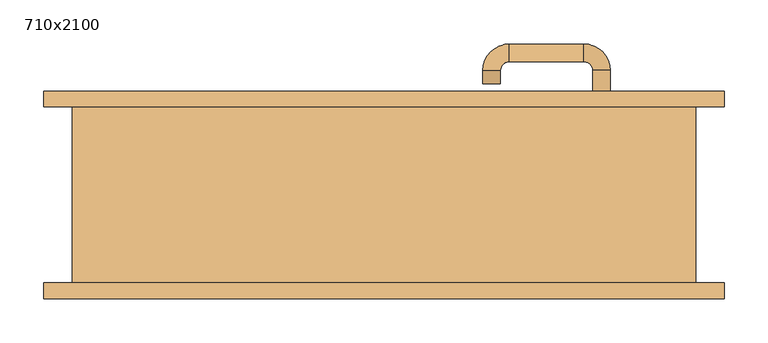
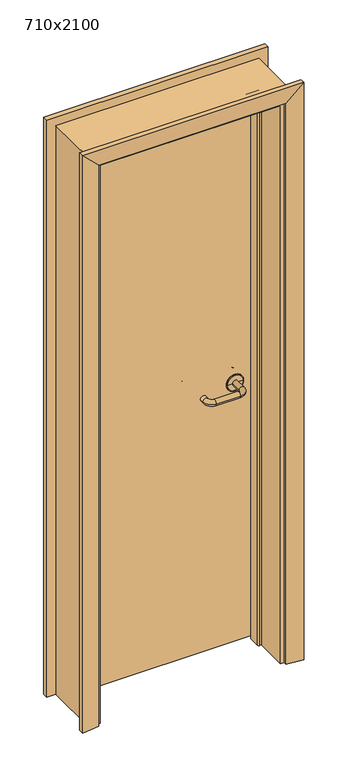
"""IFC4 building model written with IfcOpenShell, lengths in millimetres: door geometry, 710x2100."""

import ifcopenshell
import ifcopenshell.guid

model = None  # the IFC model being written
_history = None  # IfcOwnerHistory: only IFC2X3 demands one
_inside = {}  # id of a spatial element -> (the spatial element, [elements in it])
_under = {}  # id of a project, library or spatial element -> (it, [spatial elements below it])
_declared = {}  # id of a project -> (the project, [libraries it declares])
_typed = {}  # id of a type object -> (the type object, [elements of that type])
_made_of = {}  # id of a material, layer set ... -> (it, [elements and type objects made of it])


def new_model(schema):
    """Start an empty IFC model of exactly this schema.

    Asked for "IFC4X3", IfcOpenShell would pick the latest addendum, in which some entities
    have other attributes; the version numbers below select the first issue.
    IFC2X3 requires an IfcOwnerHistory on every rooted entity: one is made here for all.
    """
    global model, _history
    if schema == "IFC4X3":
        model = ifcopenshell.file(schema_version=(4, 3, 0, 0))
    else:
        model = ifcopenshell.file(schema=schema)
    _inside.clear()
    _under.clear()
    _declared.clear()
    _typed.clear()
    _made_of.clear()
    _history = None
    if model.schema == "IFC2X3":
        org = make("IfcOrganization", Name="unknown")
        user = make(
            "IfcPersonAndOrganization",
            ThePerson=make("IfcPerson", FamilyName="unknown"),
            TheOrganization=org,
        )
        app = make(
            "IfcApplication",
            ApplicationDeveloper=org,
            Version="unknown",
            ApplicationFullName="unknown",
            ApplicationIdentifier="unknown",
        )
        _history = make(
            "IfcOwnerHistory",
            OwningUser=user,
            OwningApplication=app,
            ChangeAction="ADDED",
            CreationDate=0,
        )
    return model


def make(cls, **values):
    """One entity of the class cls with the attributes given. An attribute that is None is left unset."""
    return model.create_entity(
        cls, **{name: value for name, value in values.items() if value is not None}
    )


def rooted(cls, **values):
    """An entity with a GlobalId (a new one), such as an element, a storey or a relation."""
    return make(cls, GlobalId=ifcopenshell.guid.new(), OwnerHistory=_history, **values)


def si_unit(unit_type, name, prefix=None):
    """IfcSIUnit, for example si_unit("LENGTHUNIT", "METRE", prefix="MILLI")."""
    return make("IfcSIUnit", UnitType=unit_type, Prefix=prefix, Name=name)


def assignment(units):
    """IfcUnitAssignment: the units of a project."""
    return None if units is None else make("IfcUnitAssignment", Units=units)


def point(xyz):
    """IfcCartesianPoint."""
    return None if xyz is None else make("IfcCartesianPoint", Coordinates=xyz)


def direction(xyz):
    """IfcDirection."""
    return None if xyz is None else make("IfcDirection", DirectionRatios=xyz)


def frame(location, z_axis=None, x_axis=None):
    """IfcAxis2Placement3D, a coordinate frame: its origin and axes. An axis left out is left unset."""
    return make(
        "IfcAxis2Placement3D",
        Location=point(location),
        Axis=direction(z_axis),
        RefDirection=direction(x_axis),
    )


def origin():
    """The frame at (0, 0, 0) with its axes left unset."""
    return frame((0.0, 0.0, 0.0))


def place(relative_to, where):
    """IfcLocalPlacement: puts the frame where relative to a parent placement (None: the world)."""
    return make(
        "IfcLocalPlacement", PlacementRelTo=relative_to, RelativePlacement=where
    )


def context(
    kind, dimensions, precision=None, world=None, true_north=None, identifier=None
):
    """IfcGeometricRepresentationContext, for example the 3D "Model" context."""
    return make(
        "IfcGeometricRepresentationContext",
        ContextIdentifier=identifier,
        ContextType=kind,
        CoordinateSpaceDimension=dimensions,
        Precision=precision,
        WorldCoordinateSystem=world,
        TrueNorth=true_north,
    )


def project(units=None, contexts=None):
    """IfcProject with its units and contexts."""
    return rooted(
        "IfcProject",
        Name="project",
        RepresentationContexts=contexts,
        UnitsInContext=assignment(units),
    )


def spatial(cls, under=None, at=None, **own):
    """A site, building, storey or space (cls), placed at a placement, below another one or the project."""
    s = rooted(cls, ObjectPlacement=at, **own)
    if under is not None:
        _under.setdefault(under.id(), (under, []))[1].append(s)
    return s


def polyline(points):
    """IfcPolyline through the points."""
    return make("IfcPolyline", Points=[point(p) for p in points])


def circle_curve(where, radius):
    """IfcCircle in the frame where."""
    return make("IfcCircle", Position=where, Radius=radius)


def ellipse_curve(where, semi_axis1, semi_axis2):
    """IfcEllipse in the frame where."""
    return make(
        "IfcEllipse", Position=where, SemiAxis1=semi_axis1, SemiAxis2=semi_axis2
    )


def trimmed(basis, trim1, trim2, sense, master):
    """IfcTrimmedCurve: the piece of a basis curve between two trims."""
    return make(
        "IfcTrimmedCurve",
        BasisCurve=basis,
        Trim1=trim1,
        Trim2=trim2,
        SenseAgreement=sense,
        MasterRepresentation=master,
    )


def outline(outer, holes=None, kind="AREA"):
    """IfcArbitraryClosedProfileDef: a profile drawn as a closed curve; with holes, ...WithVoids."""
    if holes is None:
        return make("IfcArbitraryClosedProfileDef", ProfileType=kind, OuterCurve=outer)
    return make(
        "IfcArbitraryProfileDefWithVoids",
        ProfileType=kind,
        OuterCurve=outer,
        InnerCurves=holes,
    )


def extrude(swept, where, along, depth):
    """IfcExtrudedAreaSolid: the profile swept, set in the frame where, extruded along a direction by depth."""
    return make(
        "IfcExtrudedAreaSolid",
        SweptArea=swept,
        Position=where,
        ExtrudedDirection=direction(along),
        Depth=depth,
    )


def faces_of(points, faces, orient=None, outer=None):
    """IfcFace entities. A face is a list of loops; a loop is a list of indices into points, from 0.

    orient and outer hold one flag for each loop. By default every Orientation is true, the
    first loop of a face is its IfcFaceOuterBound and the others are IfcFaceBound.
    """
    made = []
    for i, loops in enumerate(faces):
        bounds = []
        for j, loop in enumerate(loops):
            is_outer = j == 0 if outer is None else outer[i][j]
            bounds.append(
                make(
                    "IfcFaceOuterBound" if is_outer else "IfcFaceBound",
                    Bound=make("IfcPolyLoop", Polygon=[points[k] for k in loop]),
                    Orientation=True if orient is None else orient[i][j],
                )
            )
        made.append(make("IfcFace", Bounds=bounds))
    return made


def faceted_brep(points, faces, orient=None, outer=None, voids=None):
    """IfcFacetedBrep: a solid bounded by flat faces; with voids (closed shells), ...WithVoids."""
    shared = [point(p) for p in points]
    hull = make("IfcClosedShell", CfsFaces=faces_of(shared, faces, orient, outer))
    if voids is None:
        return make("IfcFacetedBrep", Outer=hull)
    return make(
        "IfcFacetedBrepWithVoids",
        Outer=hull,
        Voids=[
            make(cls, CfsFaces=faces_of(shared, fs, o, b)) for cls, fs, o, b in voids
        ],
    )


def shape(context_of_items, identifier, shape_type, items):
    """IfcShapeRepresentation: the items that make up one representation, for example the "Body"."""
    return make(
        "IfcShapeRepresentation",
        ContextOfItems=context_of_items,
        RepresentationIdentifier=identifier,
        RepresentationType=shape_type,
        Items=items,
    )


def source(mapping_origin, context_of_items, identifier, shape_type, items):
    """IfcRepresentationMap: a shape defined once, which mapped items show again and again."""
    return make(
        "IfcRepresentationMap",
        MappingOrigin=mapping_origin,
        MappedRepresentation=shape(context_of_items, identifier, shape_type, items),
    )


def transform(
    local_origin,
    x_axis=None,
    y_axis=None,
    z_axis=None,
    scale=None,
    scale2=None,
    scale3=None,
    uniform=True,
):
    """IfcCartesianTransformationOperator3D, or its non-uniform kind. x_axis, y_axis, z_axis: its Axis1, 2, 3."""
    if uniform:
        return make(
            "IfcCartesianTransformationOperator3D",
            Axis1=direction(x_axis),
            Axis2=direction(y_axis),
            LocalOrigin=point(local_origin),
            Scale=scale,
            Axis3=direction(z_axis),
        )
    return make(
        "IfcCartesianTransformationOperator3DnonUniform",
        Axis1=direction(x_axis),
        Axis2=direction(y_axis),
        LocalOrigin=point(local_origin),
        Scale=scale,
        Axis3=direction(z_axis),
        Scale2=scale2,
        Scale3=scale3,
    )


def mapped(mapping_source, mapping_target):
    """IfcMappedItem: shows the shape of a source again, moved by a transform."""
    return make(
        "IfcMappedItem", MappingSource=mapping_source, MappingTarget=mapping_target
    )


def made_of(thing, what):
    """Note that an element or type object is made of a material, layer set ...; save() writes the relation."""
    if what is not None:
        _made_of.setdefault(what.id(), (what, []))[1].append(thing)
    return thing


def element(
    cls,
    number,
    at=None,
    inside=None,
    cuts=None,
    type_object=None,
    material=None,
    context=None,
    identifier="Body",
    shape_type=None,
    held_by="IfcProductDefinitionShape",
    body=None,
    shapes=None,
    **own,
):
    """One element of the class cls, such as IfcWall. Its Tag is "e" and its number.

    at: its placement. inside: the storey or other place that contains it. cuts: it is an
    opening in that element (IfcRelVoidsElement). A single representation is given by context,
    identifier, shape_type and body (its items); several are given by shapes. held_by: the class
    of the entity that holds the representations. save() writes the other relations.
    """
    e = rooted(cls, Tag="e%d" % number, ObjectPlacement=at, **own)
    if body is not None:
        shapes = [shape(context, identifier, shape_type, body)]
    if shapes is not None:
        e.Representation = make(held_by, Representations=shapes)
    if inside is not None:
        _inside.setdefault(inside.id(), (inside, []))[1].append(e)
    if cuts is not None:
        rooted(
            "IfcRelVoidsElement", RelatingBuildingElement=cuts, RelatedOpeningElement=e
        )
    if type_object is not None:
        _typed.setdefault(type_object.id(), (type_object, []))[1].append(e)
    return made_of(e, material)


def aggregate(whole, parts):
    """IfcRelAggregates: a whole, such as a stair, and the parts it consists of."""
    return rooted("IfcRelAggregates", RelatingObject=whole, RelatedObjects=parts)


def save(model, path):
    """Write the relations noted so far, then the file.

    IfcRelAggregates (storeys below a building ...), IfcRelContainedInSpatialStructure (elements
    in a storey), IfcRelDefinesByType, IfcRelAssociatesMaterial and IfcRelDeclares: one each for
    every whole, place, type object, material and project.
    """
    for whole, parts in _under.values():
        aggregate(whole, parts)
    for where, things in _inside.values():
        rooted(
            "IfcRelContainedInSpatialStructure",
            RelatedElements=things,
            RelatingStructure=where,
        )
    for kind, things in _typed.values():
        rooted("IfcRelDefinesByType", RelatedObjects=things, RelatingType=kind)
    for what, things in _made_of.values():
        rooted("IfcRelAssociatesMaterial", RelatedObjects=things, RelatingMaterial=what)
    for by, libraries in _declared.values():
        rooted("IfcRelDeclares", RelatingContext=by, RelatedDefinitions=libraries)
    model.write(path)


def plane_surface(at):
    """IfcPlane: the flat surface through the origin of the frame at, square to its z axis."""
    return make("IfcPlane", Position=at)


def cylinder_surface(at, radius):
    """IfcCylindricalSurface: all points at the distance radius from the z axis of the frame at."""
    return make("IfcCylindricalSurface", Position=at, Radius=radius)


def revolved_surface(curve, axis_point, axis_direction):
    """IfcSurfaceOfRevolution: the curve turned about the line through axis_point along axis_direction."""
    return make(
        "IfcSurfaceOfRevolution",
        SweptCurve=make("IfcArbitraryOpenProfileDef", ProfileType="CURVE", Curve=curve),
        AxisPosition=make("IfcAxis1Placement", Location=point(axis_point), Axis=direction(axis_direction)),
    )


def advanced_brep(points, edges, surfaces, faces):
    """IfcAdvancedBrep: a solid bounded by faces that lie on surfaces and meet in shared edges.

    An edge is (start, end): straight between two places in points (the first is 0);
    or (start, end, curve); or (start, end, curve, False) where it runs against its curve.
    A face is (place in surfaces, loops), or (place, loops, False) where it looks against
    its surface's normal. A loop lists edges by number (the first is 1), with a minus sign
    where the edge is run from its end to its start. The first loop is the outer one.
    """
    corners = [point(p) for p in points]
    vertices = [make("IfcVertexPoint", VertexGeometry=c) for c in corners]
    made = []
    for start, end, *more in edges:
        made.append(
            make(
                "IfcEdgeCurve",
                EdgeStart=vertices[start],
                EdgeEnd=vertices[end],
                EdgeGeometry=more[0] if more else make("IfcPolyline", Points=[corners[start], corners[end]]),
                SameSense=more[1] if len(more) > 1 else True,
            )
        )
    hull = []
    for where, loops, *sense in faces:
        bounds = []
        for j, loop in enumerate(loops):
            ring = [make("IfcOrientedEdge", EdgeElement=made[abs(k) - 1], Orientation=k > 0) for k in loop]
            bounds.append(
                make(
                    "IfcFaceOuterBound" if j == 0 else "IfcFaceBound",
                    Bound=make("IfcEdgeLoop", EdgeList=ring),
                    Orientation=True,
                )
            )
        hull.append(make("IfcAdvancedFace", Bounds=bounds, FaceSurface=surfaces[where], SameSense=sense[0] if sense else True))
    return make("IfcAdvancedBrep", Outer=make("IfcClosedShell", CfsFaces=hull))


def door_710x2100_3b6ac271(model_context):
    return source(origin(), model_context, "Body", "SolidModel", [
        advanced_brep(
        [(257.5389275, 100.0, 965.0), (237.5389275, 100.0, 965.0), (237.5389275, 141.7730895, 965.0), (257.5389275, 141.7730895, 965.0), (227.5389275, 171.7730895, 965.0), (227.5389275, 151.7730895, 965.0), (142.5389265, 151.7730895, 965.0), (142.5389265, 171.7730895, 965.0), (112.5389265, 141.7730895, 965.0), (132.5389265, 141.7730895, 965.0), (112.5389265, 126.7730887, 965.0), (132.5389265, 126.7730887, 965.0)],
        [
            (0, 1, circle_curve(frame((247.5389275, 100.0, 965.0), z_axis=(0.0, -1.0, 0.0), x_axis=(-1.0, 0.0, 0.0)), 10.0)),
            (1, 0, circle_curve(frame((247.5389275, 100.0, 965.0), z_axis=(0.0, -1.0, 0.0), x_axis=(-1.0, 0.0, 0.0)), 10.0)),
            (1, 2),
            (2, 3, circle_curve(frame((247.5389275, 141.7730895, 965.0), z_axis=(0.0, -1.0, 0.0), x_axis=(-1.0, 0.0, 0.0)), 10.0)),
            (3, 0),
            (3, 2, circle_curve(frame((247.5389275, 141.7730895, 965.0), z_axis=(0.0, -1.0, 0.0), x_axis=(-1.0, 0.0, 0.0)), 10.0)),
            (4, 3, circle_curve(frame((227.5389275, 141.7730895, 965.0), z_axis=(0.0, 0.0, -1.0), x_axis=(1.0, 0.0, 0.0)), 30.0)),
            (2, 5, circle_curve(frame((227.5389275, 141.7730895, 965.0), z_axis=(0.0, 0.0, 1.0), x_axis=(1.0, 0.0, 0.0)), 10.0)),
            (5, 4, circle_curve(frame((227.5389275, 161.7730895, 965.0), z_axis=(1.0, 0.0, 0.0), x_axis=(0.0, -1.0, 0.0)), 10.0)),
            (4, 5, circle_curve(frame((227.5389275, 161.7730895, 965.0), z_axis=(1.0, 0.0, 0.0), x_axis=(0.0, -1.0, 0.0)), 10.0)),
            (5, 6),
            (6, 7, circle_curve(frame((142.5389265, 161.7730895, 965.0), z_axis=(1.0, 0.0, 0.0), x_axis=(0.0, -1.0, 0.0)), 10.0)),
            (7, 4),
            (7, 6, circle_curve(frame((142.5389265, 161.7730895, 965.0), z_axis=(1.0, 0.0, 0.0), x_axis=(0.0, -1.0, 0.0)), 10.0)),
            (8, 7, circle_curve(frame((142.5389265, 141.7730895, 965.0), z_axis=(0.0, 0.0, -1.0), x_axis=(0.0, 1.0, 0.0)), 30.0)),
            (6, 9, circle_curve(frame((142.5389265, 141.7730895, 965.0), z_axis=(0.0, 0.0, 1.0), x_axis=(0.0, 1.0, 0.0)), 10.0)),
            (9, 8, circle_curve(frame((122.5389265, 141.7730895, 965.0), z_axis=(0.0, 1.0, 0.0), x_axis=(1.0, 0.0, 0.0)), 10.0)),
            (8, 9, circle_curve(frame((122.5389265, 141.7730895, 965.0), z_axis=(0.0, 1.0, 0.0), x_axis=(1.0, 0.0, 0.0)), 10.0)),
            (10, 11, circle_curve(frame((122.5389265, 126.7730887, 965.0), z_axis=(0.0, -1.0, 0.0), x_axis=(1.0, 0.0, 0.0)), 10.0)),
            (11, 10, circle_curve(frame((122.5389265, 126.7730887, 965.0), z_axis=(0.0, -1.0, 0.0), x_axis=(1.0, 0.0, 0.0)), 10.0)),
            (9, 11),
            (10, 8),
        ],
        [
            plane_surface(frame((247.5389275, 100.0, 965.0), z_axis=(0.0, -1.0, 0.0), x_axis=(0.0, 0.0, 1.0))),
            cylinder_surface(frame((247.5389275, 100.0, 965.0), z_axis=(0.0, -1.0, 0.0), x_axis=(-1.0, 0.0, 0.0)), 10.0),
            revolved_surface(trimmed(ellipse_curve(frame((247.5389275, 141.7730895, 965.0), z_axis=(0.0, -1.0, 0.0), x_axis=(-1.0, 0.0, 0.0)), 10.0, 10.0), [point((237.5389275, 141.7730895, 965.0))], [point((257.5389275, 141.7730895, 965.0))], True, "CARTESIAN"), (227.5389275, 141.7730895, 965.0), (0.0, 0.0, 1.0)),
            revolved_surface(trimmed(ellipse_curve(frame((247.5389275, 141.7730895, 965.0), z_axis=(0.0, -1.0, 0.0), x_axis=(-1.0, 0.0, 0.0)), 10.0, 10.0), [point((257.5389275, 141.7730895, 965.0))], [point((237.5389275, 141.7730895, 965.0))], True, "CARTESIAN"), (227.5389275, 141.7730895, 965.0), (0.0, 0.0, 1.0)),
            cylinder_surface(frame((227.5389275, 161.7730895, 965.0), z_axis=(1.0, 0.0, 0.0), x_axis=(0.0, -1.0, 0.0)), 10.0),
            revolved_surface(trimmed(ellipse_curve(frame((142.5389265, 161.7730895, 965.0), z_axis=(1.0, 0.0, 0.0), x_axis=(0.0, -1.0, 0.0)), 10.0, 10.0), [point((142.5389265, 151.7730895, 965.0))], [point((142.5389265, 171.7730895, 965.0))], True, "CARTESIAN"), (142.5389265, 141.7730895, 965.0), (0.0, 0.0, 1.0)),
            revolved_surface(trimmed(ellipse_curve(frame((142.5389265, 161.7730895, 965.0), z_axis=(1.0, 0.0, 0.0), x_axis=(0.0, -1.0, 0.0)), 10.0, 10.0), [point((142.5389265, 171.7730895, 965.0))], [point((142.5389265, 151.7730895, 965.0))], True, "CARTESIAN"), (142.5389265, 141.7730895, 965.0), (0.0, 0.0, 1.0)),
            plane_surface(frame((122.5389265, 126.7730887, 965.0), z_axis=(0.0, -1.0, 0.0), x_axis=(0.0, 0.0, 1.0))),
            cylinder_surface(frame((122.5389265, 141.7730895, 965.0), z_axis=(0.0, 1.0, 0.0), x_axis=(1.0, 0.0, 0.0)), 10.0),
        ],
        [
            (0, [[1, 2]]),
            (1, [[-2, 3, 4, 5]]),
            (1, [[-1, -5, 6, -3]]),
            (2, [[7, -4, 8, 9]]),
            (3, [[-8, -6, -7, 10]]),
            (4, [[-9, 11, 12, 13]]),
            (4, [[-10, -13, 14, -11]]),
            (5, [[15, -12, 16, 17]]),
            (6, [[-16, -14, -15, 18]]),
            (7, [[19, 20]]),
            (8, [[-17, 21, -19, 22]]),
            (8, [[-18, -22, -20, -21]]),
        ],
    ),
        advanced_brep(
        [(247.5389275, 100.0, 965.0), (217.5389281, 100.0, 965.0), (277.5389268, 100.0, 965.0), (217.5389281, 100.819943, 965.0), (277.5389268, 100.819943, 965.0), (274.5857807, 103.7730891, 965.0), (220.4920742, 103.7730891, 965.0), (247.5389275, 103.7730891, 965.0)],
        [
            (0, 1),
            (1, 2, circle_curve(frame((247.5389275, 100.0, 965.0), z_axis=(0.0, -1.0, 0.0), x_axis=(-1.0, 0.0, 0.0)), 29.9999993)),
            (2, 0),
            (2, 1, circle_curve(frame((247.5389275, 100.0, 965.0), z_axis=(0.0, -1.0, 0.0), x_axis=(-1.0, 0.0, 0.0)), 29.9999993)),
            (1, 3),
            (3, 4, circle_curve(frame((247.5389275, 100.819943, 965.0), z_axis=(0.0, -1.0, 0.0), x_axis=(-1.0, 0.0, 0.0)), 29.9999993)),
            (4, 2),
            (4, 3, circle_curve(frame((247.5389275, 100.819943, 965.0), z_axis=(0.0, -1.0, 0.0), x_axis=(-1.0, 0.0, 0.0)), 29.9999993)),
            (5, 6, circle_curve(frame((247.5389275, 103.7730891, 965.0), z_axis=(0.0, 1.0, 0.0), x_axis=(-1.0, 0.0, 0.0)), 27.0468532)),
            (6, 7),
            (7, 5),
            (6, 5, circle_curve(frame((247.5389275, 103.7730891, 965.0), z_axis=(0.0, 1.0, 0.0), x_axis=(-1.0, 0.0, 0.0)), 27.0468532)),
            (3, 6, circle_curve(frame((220.4920742, 100.819943, 965.0), z_axis=(0.0, 0.0, -1.0), x_axis=(1.0, 0.0, 0.0)), 2.9531461)),
            (5, 4, circle_curve(frame((274.5857807, 100.819943, 965.0), z_axis=(0.0, 0.0, -1.0), x_axis=(-1.0, 0.0, 0.0)), 2.9531461)),
        ],
        [
            plane_surface(frame((247.5389275, 100.0, 965.0), z_axis=(0.0, -1.0, 0.0), x_axis=(-1.0, 0.0, 0.0))),
            cylinder_surface(frame((247.5389275, 100.0, 965.0), z_axis=(0.0, -1.0, 0.0), x_axis=(-1.0, 0.0, 0.0)), 29.9999993),
            plane_surface(frame((247.5389275, 103.7730891, 965.0), z_axis=(0.0, 1.0, 0.0), x_axis=(-1.0, 0.0, 0.0))),
            revolved_surface(trimmed(ellipse_curve(frame((220.4920742, 100.819943, 965.0), z_axis=(0.0, 0.0, 1.0), x_axis=(1.0, 0.0, 0.0)), 2.9531461, 2.9531461), [point((220.4920742, 103.7730891, 965.0))], [point((217.5389281, 100.819943, 965.0))], True, "CARTESIAN"), (247.5389275, 100.0, 965.0), (0.0, -1.0, 0.0)),
        ],
        [
            (0, [[1, 2, 3]]),
            (0, [[-3, 4, -1]]),
            (1, [[-2, 5, 6, 7]]),
            (1, [[-4, -7, 8, -5]]),
            (2, [[9, 10, 11]]),
            (2, [[12, -11, -10]]),
            (3, [[-6, 13, -9, 14]]),
            (3, [[-8, -14, -12, -13]]),
        ],
    ),
        advanced_brep(
        [(257.5389275, 60.0, 965.0), (237.5389275, 60.0, 965.0), (257.5389275, 18.2269106, 965.0), (237.5389275, 18.2269106, 965.0), (227.5389275, 8.2269106, 965.0), (227.5389275, -11.7730894, 965.0), (142.5389265, -11.7730894, 965.0), (142.5389265, 8.2269106, 965.0), (132.5389265, 18.2269106, 965.0), (112.5389265, 18.2269106, 965.0), (112.5389265, 33.2269113, 965.0), (132.5389265, 33.2269113, 965.0)],
        [
            (0, 1, circle_curve(frame((247.5389275, 60.0, 965.0), z_axis=(0.0, 1.0, 0.0), x_axis=(-1.0, 0.0, 0.0)), 10.0)),
            (1, 0, circle_curve(frame((247.5389275, 60.0, 965.0), z_axis=(0.0, 1.0, 0.0), x_axis=(-1.0, 0.0, 0.0)), 10.0)),
            (0, 2),
            (2, 3, circle_curve(frame((247.5389275, 18.2269106, 965.0), z_axis=(0.0, 1.0, 0.0), x_axis=(-1.0, 0.0, 0.0)), 10.0)),
            (3, 1),
            (3, 2, circle_curve(frame((247.5389275, 18.2269106, 965.0), z_axis=(0.0, 1.0, 0.0), x_axis=(-1.0, 0.0, 0.0)), 10.0)),
            (4, 3, circle_curve(frame((227.5389275, 18.2269106, 965.0), z_axis=(0.0, 0.0, 1.0), x_axis=(1.0, 0.0, 0.0)), 10.0)),
            (2, 5, circle_curve(frame((227.5389275, 18.2269106, 965.0), z_axis=(0.0, 0.0, -1.0), x_axis=(1.0, 0.0, 0.0)), 30.0)),
            (5, 4, circle_curve(frame((227.5389275, -1.7730894, 965.0), z_axis=(1.0, 0.0, 0.0), x_axis=(0.0, 1.0, 0.0)), 10.0)),
            (4, 5, circle_curve(frame((227.5389275, -1.7730894, 965.0), z_axis=(1.0, 0.0, 0.0), x_axis=(0.0, 1.0, 0.0)), 10.0)),
            (5, 6),
            (6, 7, circle_curve(frame((142.5389265, -1.7730894, 965.0), z_axis=(1.0, 0.0, 0.0), x_axis=(0.0, 1.0, 0.0)), 10.0)),
            (7, 4),
            (7, 6, circle_curve(frame((142.5389265, -1.7730894, 965.0), z_axis=(1.0, 0.0, 0.0), x_axis=(0.0, 1.0, 0.0)), 10.0)),
            (8, 7, circle_curve(frame((142.5389265, 18.2269106, 965.0), z_axis=(0.0, 0.0, 1.0), x_axis=(0.0, -1.0, 0.0)), 10.0)),
            (6, 9, circle_curve(frame((142.5389265, 18.2269106, 965.0), z_axis=(0.0, 0.0, -1.0), x_axis=(0.0, -1.0, 0.0)), 30.0)),
            (9, 8, circle_curve(frame((122.5389265, 18.2269106, 965.0), z_axis=(0.0, -1.0, 0.0), x_axis=(1.0, 0.0, 0.0)), 10.0)),
            (8, 9, circle_curve(frame((122.5389265, 18.2269106, 965.0), z_axis=(0.0, -1.0, 0.0), x_axis=(1.0, 0.0, 0.0)), 10.0)),
            (10, 11, circle_curve(frame((122.5389265, 33.2269113, 965.0), z_axis=(0.0, 1.0, 0.0), x_axis=(1.0, 0.0, 0.0)), 10.0)),
            (11, 10, circle_curve(frame((122.5389265, 33.2269113, 965.0), z_axis=(0.0, 1.0, 0.0), x_axis=(1.0, 0.0, 0.0)), 10.0)),
            (9, 10),
            (11, 8),
        ],
        [
            plane_surface(frame((247.5389275, 60.0, 965.0), z_axis=(0.0, 1.0, 0.0), x_axis=(0.0, 0.0, 1.0))),
            cylinder_surface(frame((247.5389275, 60.0, 965.0), z_axis=(0.0, 1.0, 0.0), x_axis=(-1.0, 0.0, 0.0)), 10.0),
            revolved_surface(trimmed(ellipse_curve(frame((247.5389275, 18.2269106, 965.0), z_axis=(0.0, 1.0, 0.0), x_axis=(-1.0, 0.0, 0.0)), 10.0, 10.0), [point((257.5389275, 18.2269106, 965.0))], [point((237.5389275, 18.2269106, 965.0))], True, "CARTESIAN"), (227.5389275, 18.2269106, 965.0), (0.0, 0.0, -1.0)),
            revolved_surface(trimmed(ellipse_curve(frame((247.5389275, 18.2269106, 965.0), z_axis=(0.0, 1.0, 0.0), x_axis=(-1.0, 0.0, 0.0)), 10.0, 10.0), [point((237.5389275, 18.2269106, 965.0))], [point((257.5389275, 18.2269106, 965.0))], True, "CARTESIAN"), (227.5389275, 18.2269106, 965.0), (0.0, 0.0, -1.0)),
            cylinder_surface(frame((227.5389275, -1.7730894, 965.0), z_axis=(1.0, 0.0, 0.0), x_axis=(0.0, 1.0, 0.0)), 10.0),
            revolved_surface(trimmed(ellipse_curve(frame((142.5389265, -1.7730894, 965.0), z_axis=(1.0, 0.0, 0.0), x_axis=(0.0, 1.0, 0.0)), 10.0, 10.0), [point((142.5389265, -11.7730894, 965.0))], [point((142.5389265, 8.2269106, 965.0))], True, "CARTESIAN"), (142.5389265, 18.2269106, 965.0), (0.0, 0.0, -1.0)),
            revolved_surface(trimmed(ellipse_curve(frame((142.5389265, -1.7730894, 965.0), z_axis=(1.0, 0.0, 0.0), x_axis=(0.0, 1.0, 0.0)), 10.0, 10.0), [point((142.5389265, 8.2269106, 965.0))], [point((142.5389265, -11.7730894, 965.0))], True, "CARTESIAN"), (142.5389265, 18.2269106, 965.0), (0.0, 0.0, -1.0)),
            plane_surface(frame((122.5389265, 33.2269113, 965.0), z_axis=(0.0, 1.0, 0.0), x_axis=(0.0, 0.0, 1.0))),
            cylinder_surface(frame((122.5389265, 18.2269106, 965.0), z_axis=(0.0, -1.0, 0.0), x_axis=(1.0, 0.0, 0.0)), 10.0),
        ],
        [
            (0, [[1, 2]]),
            (1, [[-1, 3, 4, 5]]),
            (1, [[-2, -5, 6, -3]]),
            (2, [[7, -4, 8, 9]]),
            (3, [[-8, -6, -7, 10]]),
            (4, [[-9, 11, 12, 13]]),
            (4, [[-10, -13, 14, -11]]),
            (5, [[15, -12, 16, 17]]),
            (6, [[-16, -14, -15, 18]]),
            (7, [[19, 20]]),
            (8, [[-17, 21, -20, 22]]),
            (8, [[-18, -22, -19, -21]]),
        ],
    ),
        advanced_brep(
        [(277.5389268, 60.0, 965.0), (217.5389281, 60.0, 965.0), (247.5389275, 60.0, 965.0), (277.5389268, 59.180057, 965.0), (217.5389281, 59.180057, 965.0), (247.5389275, 56.2269109, 965.0), (220.4920742, 56.2269109, 965.0), (274.5857807, 56.2269109, 965.0)],
        [
            (0, 1, circle_curve(frame((247.5389275, 60.0, 965.0), z_axis=(0.0, 1.0, 0.0), x_axis=(-1.0, 0.0, 0.0)), 29.9999993)),
            (1, 2),
            (2, 0),
            (1, 0, circle_curve(frame((247.5389275, 60.0, 965.0), z_axis=(0.0, 1.0, 0.0), x_axis=(-1.0, 0.0, 0.0)), 29.9999993)),
            (3, 4, circle_curve(frame((247.5389275, 59.180057, 965.0), z_axis=(0.0, 1.0, 0.0), x_axis=(-1.0, 0.0, 0.0)), 29.9999993)),
            (4, 1),
            (0, 3),
            (4, 3, circle_curve(frame((247.5389275, 59.180057, 965.0), z_axis=(0.0, 1.0, 0.0), x_axis=(-1.0, 0.0, 0.0)), 29.9999993)),
            (5, 6),
            (6, 7, circle_curve(frame((247.5389275, 56.2269109, 965.0), z_axis=(0.0, -1.0, 0.0), x_axis=(-1.0, 0.0, 0.0)), 27.0468532)),
            (7, 5),
            (7, 6, circle_curve(frame((247.5389275, 56.2269109, 965.0), z_axis=(0.0, -1.0, 0.0), x_axis=(-1.0, 0.0, 0.0)), 27.0468532)),
            (6, 4, circle_curve(frame((220.4920742, 59.180057, 965.0), z_axis=(0.0, 0.0, -1.0), x_axis=(1.0, 0.0, 0.0)), 2.9531461)),
            (3, 7, circle_curve(frame((274.5857807, 59.180057, 965.0), z_axis=(0.0, 0.0, -1.0), x_axis=(-1.0, 0.0, 0.0)), 2.9531461)),
        ],
        [
            plane_surface(frame((247.5389275, 60.0, 965.0), z_axis=(0.0, 1.0, 0.0), x_axis=(-1.0, 0.0, 0.0))),
            cylinder_surface(frame((247.5389275, 60.0, 965.0), z_axis=(0.0, -1.0, 0.0), x_axis=(-1.0, 0.0, 0.0)), 29.9999993),
            plane_surface(frame((247.5389275, 56.2269109, 965.0), z_axis=(0.0, -1.0, 0.0), x_axis=(-1.0, 0.0, 0.0))),
            revolved_surface(trimmed(ellipse_curve(frame((220.4920742, 59.180057, 965.0), z_axis=(0.0, 0.0, 1.0), x_axis=(1.0, 0.0, 0.0)), 2.9531461, 2.9531461), [point((217.5389281, 59.180057, 965.0))], [point((220.4920742, 56.2269109, 965.0))], True, "CARTESIAN"), (247.5389275, 60.0, 965.0), (0.0, -1.0, 0.0)),
        ],
        [
            (0, [[1, 2, 3]]),
            (0, [[4, -3, -2]]),
            (1, [[5, 6, -1, 7]]),
            (1, [[8, -7, -4, -6]]),
            (2, [[9, 10, 11]]),
            (2, [[-11, 12, -9]]),
            (3, [[-10, 13, -5, 14]]),
            (3, [[-12, -14, -8, -13]]),
        ],
    ),
        extrude(outline(polyline([(312.5389275, 100.0), (312.5389275, 60.0), (-312.538929, 60.0), (-312.538929, 100.0), (312.5389275, 100.0)])), frame((0.0, 0.0, 10.0), z_axis=(0.0, 0.0, 1.0), x_axis=(1.0, 0.0, 0.0)), (0.0, 0.0, 1.0), 2047.0),
        advanced_brep(
        [(355.0, -100.0, 0.0), (315.0389382, -100.0, 0.0), (315.0389382, 13.9643215, 0.0), (309.0397424, 13.9643215, 0.0), (302.938932, 20.0651318, 0.0), (302.938932, 57.9643213, 0.0), (315.0389382, 57.9643213, 0.0), (315.0389382, 100.0, 0.0), (355.0, 100.0, 0.0), (355.0, -100.0, 2100.0), (-355.0, -100.0, 2100.0), (-355.0, -100.0, 0.0), (-315.0389382, -100.0, 0.0), (-315.0389382, -100.0, 2060.0389382), (315.0389382, -100.0, 2060.0389382), (315.0389382, 13.9643215, 2060.0389382), (-315.0389382, 13.9643215, 2060.0389382), (-315.0389382, 13.9643215, 0.0), (-309.0397424, 13.9643215, 0.0), (-309.0397424, 13.9643215, 2054.0397424), (309.0397424, 13.9643215, 2054.0397424), (302.938932, 20.0651318, 2047.938932), (302.938932, 57.9643213, 2047.938932), (-302.938932, 57.9643213, 2047.938932), (-302.938932, 57.9643213, 0.0), (-315.0389382, 57.9643213, 0.0), (-315.0389382, 57.9643213, 2060.0389382), (315.0389382, 57.9643213, 2060.0389382), (315.0389382, 100.0, 2060.0389382), (355.0, 100.0, 2100.0), (-302.938932, 20.0651318, 2047.938932), (-315.0389382, 100.0, 2060.0389382), (-355.0, 100.0, 2100.0), (-355.0, 100.0, 0.0), (-315.0389382, 100.0, 0.0), (-302.938932, 20.0651318, 0.0)],
        [
            (0, 1),
            (1, 2),
            (2, 3),
            (3, 4, circle_curve(frame((309.0397424, 20.0651318, 0.0), z_axis=(0.0, 0.0, -1.0), x_axis=(-1.0, 0.0, 0.0)), 6.1008103)),
            (4, 5),
            (5, 6),
            (6, 7),
            (7, 8),
            (8, 0),
            (0, 9),
            (9, 10),
            (10, 11),
            (11, 12),
            (12, 13),
            (13, 14),
            (14, 1),
            (14, 15),
            (15, 2),
            (15, 16),
            (16, 17),
            (17, 18),
            (18, 19),
            (19, 20),
            (20, 3),
            (20, 21, ellipse_curve(frame((309.0397424, 20.0651318, 2054.0397424), z_axis=(0.7071067811865475, 0.0, -0.7071067811865475), x_axis=(-0.7071067811865474, 0.0, -0.7071067811865476)), 8.6278487, 6.1008103)),
            (21, 4),
            (21, 22),
            (22, 5),
            (22, 23),
            (23, 24),
            (24, 25),
            (25, 26),
            (26, 27),
            (27, 6),
            (27, 28),
            (28, 7),
            (8, 29),
            (29, 9),
            (13, 16),
            (19, 30, ellipse_curve(frame((-309.0397424, 20.0651318, 2054.0397424), z_axis=(0.7071067811865475, 0.0, 0.7071067811865475), x_axis=(0.7071067811865476, 0.0, -0.7071067811865474)), 8.6278487, 6.1008103)),
            (30, 21),
            (30, 23),
            (26, 31),
            (31, 28),
            (29, 32),
            (32, 10),
            (11, 33),
            (33, 34),
            (34, 25),
            (24, 35),
            (35, 18, circle_curve(frame((-309.0397424, 20.0651318, 0.0), z_axis=(0.0, 0.0, -1.0), x_axis=(1.0, 0.0, 0.0)), 6.1008103)),
            (17, 12),
            (35, 30),
            (34, 31),
            (32, 33),
        ],
        [
            plane_surface(frame((355.0, 100.0, 0.0), z_axis=(0.0, 0.0, -1.0), x_axis=(0.0, -1.0, 0.0))),
            plane_surface(frame((355.0, -100.0, 0.0), z_axis=(0.0, -1.0, 0.0), x_axis=(0.0, 0.0, 1.0))),
            plane_surface(frame((315.0389382, -100.0, 0.0), z_axis=(-1.0, 0.0, 0.0), x_axis=(0.0, 0.0, 1.0))),
            plane_surface(frame((315.0389382, 13.9643215, 0.0), z_axis=(0.0, -1.0, 0.0), x_axis=(0.0, 0.0, 1.0))),
            cylinder_surface(frame((309.0397424, 20.0651318, 0.0), z_axis=(0.0, 0.0, -1.0), x_axis=(-1.0, 0.0, 0.0)), 6.1008103),
            plane_surface(frame((302.938932, 20.0651318, 0.0), z_axis=(-1.0, 0.0, 0.0), x_axis=(0.0, 0.0, 1.0))),
            plane_surface(frame((302.938932, 57.9643213, 0.0), z_axis=(0.0, 1.0, 0.0), x_axis=(0.0, 0.0, 1.0))),
            plane_surface(frame((315.0389382, 57.9643213, 0.0), z_axis=(-1.0, 0.0, 0.0), x_axis=(0.0, 0.0, 1.0))),
            plane_surface(frame((355.0, 100.0, 0.0), z_axis=(1.0, 0.0, 0.0), x_axis=(0.0, 0.0, 1.0))),
            plane_surface(frame((315.0389382, -100.0, 2060.0389382), z_axis=(0.0, 0.0, -1.0), x_axis=(-1.0, 0.0, 0.0))),
            cylinder_surface(frame((355.0, 20.0651318, 2054.0397424), z_axis=(1.0, 0.0, 0.0), x_axis=(0.0, 0.0, -1.0)), 6.1008103),
            plane_surface(frame((302.938932, 20.0651318, 2047.938932), z_axis=(0.0, 0.0, -1.0), x_axis=(-1.0, 0.0, 0.0))),
            plane_surface(frame((315.0389382, 57.9643213, 2060.0389382), z_axis=(0.0, 0.0, -1.0), x_axis=(-1.0, 0.0, 0.0))),
            plane_surface(frame((355.0, 100.0, 2100.0), z_axis=(0.0, 0.0, 1.0), x_axis=(-1.0, 0.0, 0.0))),
            plane_surface(frame((-355.0, 100.0, 0.0), z_axis=(0.0, 0.0, -1.0), x_axis=(0.0, -1.0, 0.0))),
            plane_surface(frame((-315.0389382, -100.0, 2060.0389382), z_axis=(1.0, 0.0, 0.0), x_axis=(0.0, 0.0, -1.0))),
            cylinder_surface(frame((-309.0397424, 20.0651318, 2100.0), z_axis=(0.0, 0.0, 1.0), x_axis=(1.0, 0.0, 0.0)), 6.1008103),
            plane_surface(frame((-302.938932, 20.0651318, 2047.938932), z_axis=(1.0, 0.0, 0.0), x_axis=(0.0, 0.0, -1.0))),
            plane_surface(frame((-315.0389382, 57.9643213, 2060.0389382), z_axis=(1.0, 0.0, 0.0), x_axis=(0.0, 0.0, -1.0))),
            plane_surface(frame((-355.0, 100.0, 2100.0), z_axis=(-1.0, 0.0, 0.0), x_axis=(0.0, 0.0, -1.0))),
            plane_surface(frame((315.0389382, 100.0, 0.0), z_axis=(0.0, 1.0, 0.0), x_axis=(0.0, 0.0, 1.0))),
        ],
        [
            (0, [[1, 2, 3, 4, 5, 6, 7, 8, 9]]),
            (1, [[-1, 10, 11, 12, 13, 14, 15, 16]]),
            (2, [[-2, -16, 17, 18]]),
            (3, [[-3, -18, 19, 20, 21, 22, 23, 24]]),
            (4, [[-4, -24, 25, 26]]),
            (5, [[-5, -26, 27, 28]]),
            (6, [[-6, -28, 29, 30, 31, 32, 33, 34]]),
            (7, [[-7, -34, 35, 36]]),
            (8, [[-9, 37, 38, -10]]),
            (9, [[-17, -15, 39, -19]]),
            (10, [[-25, -23, 40, 41]]),
            (11, [[-27, -41, 42, -29]]),
            (12, [[-35, -33, 43, 44]]),
            (13, [[-38, 45, 46, -11]]),
            (14, [[47, 48, 49, -31, 50, 51, -21, 52, -13]]),
            (15, [[-39, -14, -52, -20]]),
            (16, [[-40, -22, -51, 53]]),
            (17, [[-42, -53, -50, -30]]),
            (18, [[-43, -32, -49, 54]]),
            (19, [[-46, 55, -47, -12]]),
            (20, [[-8, -36, -44, -54, -48, -55, -45, -37]]),
        ],
    ),
        faceted_brep([(-387.0361788, -117.9999998, 0.0), (-387.0361788, -100.0, 0.0), (-327.0362074, -100.0, 0.0), (-327.0362074, -111.9999981, 0.0), (-327.0362074, -111.9999981, 2071.4999916), (-387.0361788, -117.9999998, 2131.499963), (-327.0362074, -100.0, 2071.4999916), (-387.0361788, -100.0, 2131.499963), (387.0361788, -100.0, 2131.499963), (387.0361788, -100.0, 0.0), (327.0362074, -100.0, 0.0), (327.0362074, -100.0, 2071.4999916), (327.0362074, -111.9999981, 2071.4999916), (387.0361788, -117.9999998, 2131.499963), (387.0361788, -117.9999998, 0.0), (327.0362074, -111.9999981, 0.0)], [[[0, 1, 2, 3]], [[0, 3, 4, 5]], [[3, 2, 6, 4]], [[2, 1, 7, 8, 9, 10, 11, 6]], [[1, 0, 5, 7]], [[5, 4, 12, 13]], [[4, 6, 11, 12]], [[7, 5, 13, 8]], [[14, 15, 10, 9]], [[13, 12, 15, 14]], [[12, 11, 10, 15]], [[8, 13, 14, 9]]]),
        faceted_brep([(-387.0361788, 117.9999998, 0.0), (-327.0362074, 111.9999981, 0.0), (-327.0362074, 100.0, 0.0), (-387.0361788, 100.0, 0.0), (-387.0361788, 117.9999998, 2131.499963), (-327.0362074, 111.9999981, 2071.4999916), (-327.0362074, 100.0, 2071.4999916), (327.0362074, 100.0, 2071.4999916), (327.0362074, 100.0, 0.0), (387.0361788, 100.0, 0.0), (387.0361788, 100.0, 2131.499963), (-387.0361788, 100.0, 2131.499963), (387.0361788, 117.9999998, 2131.499963), (327.0362074, 111.9999981, 2071.4999916), (387.0361788, 117.9999998, 0.0), (327.0362074, 111.9999981, 0.0)], [[[0, 1, 2, 3]], [[1, 0, 4, 5]], [[3, 2, 6, 7, 8, 9, 10, 11]], [[0, 3, 11, 4]], [[5, 4, 12, 13]], [[4, 11, 10, 12]], [[14, 9, 8, 15]], [[13, 12, 14, 15]], [[12, 10, 9, 14]], [[2, 1, 5, 6]], [[6, 5, 13, 7]], [[7, 13, 15, 8]]]),
    ])


if __name__ == "__main__":
    model = new_model("IFC4")
    model_context = context("Model", 3, world=origin())
    ifc_project = project(units=[si_unit("LENGTHUNIT", "METRE", prefix="MILLI")], contexts=[model_context])
    site = spatial("IfcSite", under=ifc_project)
    building = spatial("IfcBuilding", under=site)
    placement = place(None, origin())
    door_710x2100_shape = door_710x2100_3b6ac271(model_context)
    element("IfcDoor", 1, ObjectType="710x2100", at=placement, inside=building, context=model_context, shape_type="MappedRepresentation", body=[
        mapped(door_710x2100_shape, transform((0.0, 0.0, 0.0), x_axis=(1.0, 0.0, 0.0), y_axis=(0.0, 1.0, 0.0), z_axis=(0.0, 0.0, 1.0))),
    ])
    save(model, "model.ifc")
